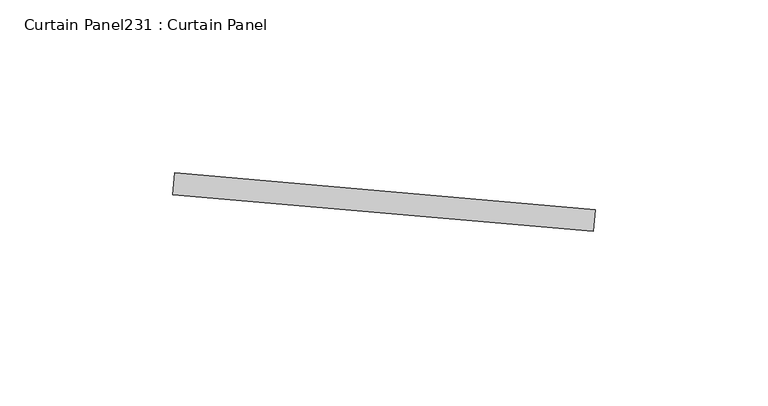
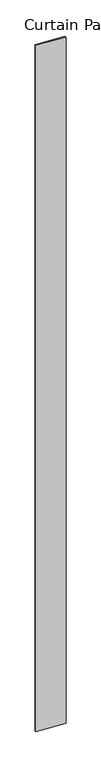
"""IFC4 building model written with IfcOpenShell, lengths in millimetres: plate geometry, Curtain Panel231 : Curtain Panel."""

from ifc_helpers import new_model, si_unit, frame, origin, place, context, project, spatial, polyline, outline, extrude, source, transform, mapped, element, save


def curtain_panel231_curtain_panel_7c61ad73(model_context):
    return source(origin(), model_context, "Body", "SweptSolid", [
        extrude(outline(polyline([(638811.5292822, 2216.741395), (638689.7963132, 2227.3916497), (638690.3497522, 2233.7174861), (638812.0827212, 2223.0672313), (638811.5292822, 2216.741395)])), frame((0.0, 0.0, 4959.7989371), z_axis=(0.0, 0.0, 1.0), x_axis=(1.0, 0.0, 0.0)), (0.0, 0.0, 1.0), 3048.0),
    ])


if __name__ == "__main__":
    model = new_model("IFC4")
    model_context = context("Model", 3, world=origin())
    ifc_project = project(units=[si_unit("LENGTHUNIT", "METRE", prefix="MILLI")], contexts=[model_context])
    site = spatial("IfcSite", under=ifc_project)
    building = spatial("IfcBuilding", under=site)
    placement = place(None, origin())
    curtain_panel231_curtain_panel_shape = curtain_panel231_curtain_panel_7c61ad73(model_context)
    element("IfcPlate", 1, ObjectType="Curtain Panel231 : Curtain Panel", at=placement, inside=building, context=model_context, shape_type="MappedRepresentation", body=[
        mapped(curtain_panel231_curtain_panel_shape, transform((0.0, 0.0, 0.0), x_axis=(1.0, 0.0, 0.0), y_axis=(0.0, 1.0, 0.0), z_axis=(0.0, 0.0, 1.0))),
    ])
    save(model, "model.ifc")
